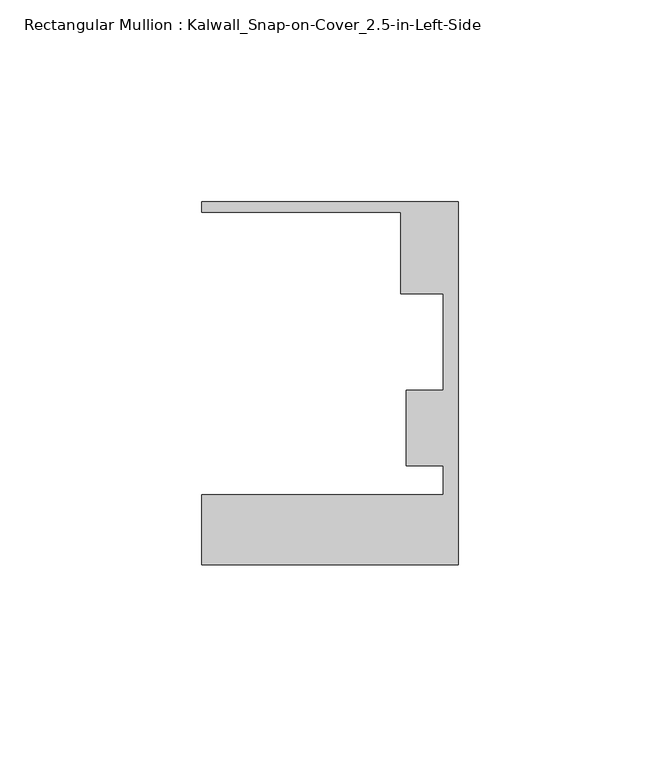
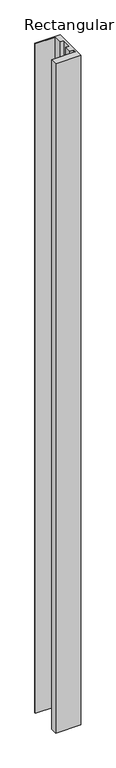
"""IFC4 building model written with IfcOpenShell, lengths in millimetres: member geometry, Rectangular Mullion : Kalwall_Snap-on-Cover_2.5-in-Left-Side."""

from ifc_helpers import new_model, si_unit, frame, origin, place, context, project, spatial, polyline, outline, extrude, source, transform, mapped, element, save


def rectangular_mullion_kalwall_snap_on_cover_2_5_in_left_side_b83195a1(model_context):
    return source(origin(), model_context, "Body", "SweptSolid", [
        extrude(outline(polyline([(0.0, -52.5001386), (-63.5, -52.5001386), (-63.5, -35.0376386), (-3.7084, -35.0376386), (-3.7084, -27.8888568), (-12.8272539, -27.8888568), (-12.8272539, -9.1879886), (-3.7084, -9.1879886), (-3.7084, 14.7439614), (-14.1732, 14.7439614), (-14.1732, 34.9623614), (-63.5, 34.9623614), (-63.5, 37.5023614), (0.0, 37.5023614), (0.0, -52.5001386)])), frame((0.0, 0.0, -1785.725), z_axis=(0.0, 0.0, 1.0), x_axis=(1.0, 0.0, 0.0)), (0.0, 0.0, 1.0), 1785.725),
    ])


if __name__ == "__main__":
    model = new_model("IFC4")
    model_context = context("Model", 3, world=origin())
    ifc_project = project(units=[si_unit("LENGTHUNIT", "METRE", prefix="MILLI")], contexts=[model_context])
    site = spatial("IfcSite", under=ifc_project)
    building = spatial("IfcBuilding", under=site)
    placement = place(None, origin())
    rectangular_mullion_kalwall_snap_on_cover_2_5_in_left_side_shape = rectangular_mullion_kalwall_snap_on_cover_2_5_in_left_side_b83195a1(model_context)
    element("IfcMember", 1, ObjectType="Rectangular Mullion : Kalwall_Snap-on-Cover_2.5-in-Left-Side", at=placement, inside=building, context=model_context, shape_type="MappedRepresentation", body=[
        mapped(rectangular_mullion_kalwall_snap_on_cover_2_5_in_left_side_shape, transform((0.0, 0.0, 0.0), x_axis=(1.0, 0.0, 0.0), y_axis=(0.0, 1.0, 0.0), z_axis=(0.0, 0.0, 1.0))),
    ])
    save(model, "model.ifc")
